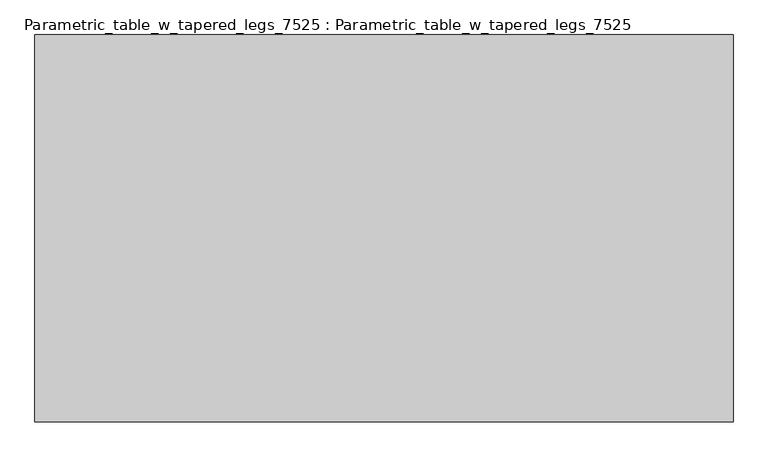
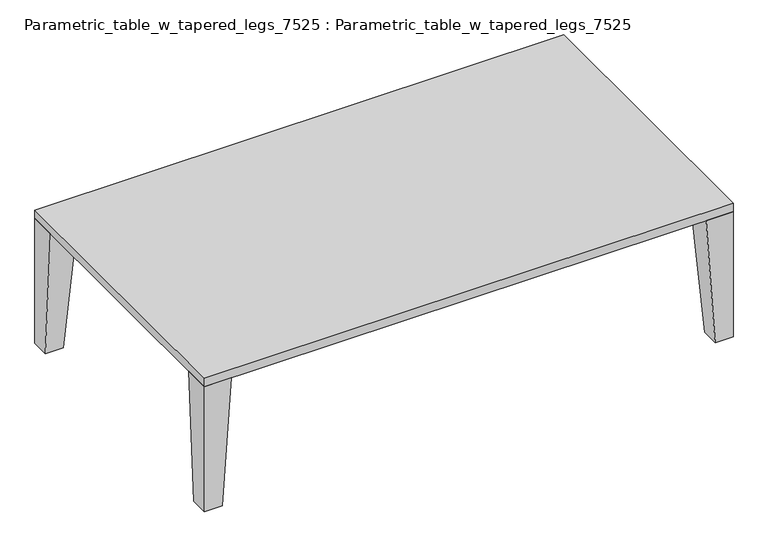
"""IFC4 building model written with IfcOpenShell, lengths in millimetres: furniture geometry, Parametric_table_w_tapered_legs_7525 : Parametric_table_w_tapered_legs_7525."""

import ifcopenshell
import ifcopenshell.guid

model = None  # the IFC model being written
_history = None  # IfcOwnerHistory: only IFC2X3 demands one
_inside = {}  # id of a spatial element -> (the spatial element, [elements in it])
_under = {}  # id of a project, library or spatial element -> (it, [spatial elements below it])
_declared = {}  # id of a project -> (the project, [libraries it declares])
_typed = {}  # id of a type object -> (the type object, [elements of that type])
_made_of = {}  # id of a material, layer set ... -> (it, [elements and type objects made of it])


def new_model(schema):
    """Start an empty IFC model of exactly this schema.

    Asked for "IFC4X3", IfcOpenShell would pick the latest addendum, in which some entities
    have other attributes; the version numbers below select the first issue.
    IFC2X3 requires an IfcOwnerHistory on every rooted entity: one is made here for all.
    """
    global model, _history
    if schema == "IFC4X3":
        model = ifcopenshell.file(schema_version=(4, 3, 0, 0))
    else:
        model = ifcopenshell.file(schema=schema)
    _inside.clear()
    _under.clear()
    _declared.clear()
    _typed.clear()
    _made_of.clear()
    _history = None
    if model.schema == "IFC2X3":
        org = make("IfcOrganization", Name="unknown")
        user = make(
            "IfcPersonAndOrganization",
            ThePerson=make("IfcPerson", FamilyName="unknown"),
            TheOrganization=org,
        )
        app = make(
            "IfcApplication",
            ApplicationDeveloper=org,
            Version="unknown",
            ApplicationFullName="unknown",
            ApplicationIdentifier="unknown",
        )
        _history = make(
            "IfcOwnerHistory",
            OwningUser=user,
            OwningApplication=app,
            ChangeAction="ADDED",
            CreationDate=0,
        )
    return model


def make(cls, **values):
    """One entity of the class cls with the attributes given. An attribute that is None is left unset."""
    return model.create_entity(
        cls, **{name: value for name, value in values.items() if value is not None}
    )


def rooted(cls, **values):
    """An entity with a GlobalId (a new one), such as an element, a storey or a relation."""
    return make(cls, GlobalId=ifcopenshell.guid.new(), OwnerHistory=_history, **values)


def si_unit(unit_type, name, prefix=None):
    """IfcSIUnit, for example si_unit("LENGTHUNIT", "METRE", prefix="MILLI")."""
    return make("IfcSIUnit", UnitType=unit_type, Prefix=prefix, Name=name)


def assignment(units):
    """IfcUnitAssignment: the units of a project."""
    return None if units is None else make("IfcUnitAssignment", Units=units)


def point(xyz):
    """IfcCartesianPoint."""
    return None if xyz is None else make("IfcCartesianPoint", Coordinates=xyz)


def direction(xyz):
    """IfcDirection."""
    return None if xyz is None else make("IfcDirection", DirectionRatios=xyz)


def frame(location, z_axis=None, x_axis=None):
    """IfcAxis2Placement3D, a coordinate frame: its origin and axes. An axis left out is left unset."""
    return make(
        "IfcAxis2Placement3D",
        Location=point(location),
        Axis=direction(z_axis),
        RefDirection=direction(x_axis),
    )


def origin():
    """The frame at (0, 0, 0) with its axes left unset."""
    return frame((0.0, 0.0, 0.0))


def place(relative_to, where):
    """IfcLocalPlacement: puts the frame where relative to a parent placement (None: the world)."""
    return make(
        "IfcLocalPlacement", PlacementRelTo=relative_to, RelativePlacement=where
    )


def context(
    kind, dimensions, precision=None, world=None, true_north=None, identifier=None
):
    """IfcGeometricRepresentationContext, for example the 3D "Model" context."""
    return make(
        "IfcGeometricRepresentationContext",
        ContextIdentifier=identifier,
        ContextType=kind,
        CoordinateSpaceDimension=dimensions,
        Precision=precision,
        WorldCoordinateSystem=world,
        TrueNorth=true_north,
    )


def project(units=None, contexts=None):
    """IfcProject with its units and contexts."""
    return rooted(
        "IfcProject",
        Name="project",
        RepresentationContexts=contexts,
        UnitsInContext=assignment(units),
    )


def spatial(cls, under=None, at=None, **own):
    """A site, building, storey or space (cls), placed at a placement, below another one or the project."""
    s = rooted(cls, ObjectPlacement=at, **own)
    if under is not None:
        _under.setdefault(under.id(), (under, []))[1].append(s)
    return s


def polyline(points):
    """IfcPolyline through the points."""
    return make("IfcPolyline", Points=[point(p) for p in points])


def outline(outer, holes=None, kind="AREA"):
    """IfcArbitraryClosedProfileDef: a profile drawn as a closed curve; with holes, ...WithVoids."""
    if holes is None:
        return make("IfcArbitraryClosedProfileDef", ProfileType=kind, OuterCurve=outer)
    return make(
        "IfcArbitraryProfileDefWithVoids",
        ProfileType=kind,
        OuterCurve=outer,
        InnerCurves=holes,
    )


def extrude(swept, where, along, depth):
    """IfcExtrudedAreaSolid: the profile swept, set in the frame where, extruded along a direction by depth."""
    return make(
        "IfcExtrudedAreaSolid",
        SweptArea=swept,
        Position=where,
        ExtrudedDirection=direction(along),
        Depth=depth,
    )


def faces_of(points, faces, orient=None, outer=None):
    """IfcFace entities. A face is a list of loops; a loop is a list of indices into points, from 0.

    orient and outer hold one flag for each loop. By default every Orientation is true, the
    first loop of a face is its IfcFaceOuterBound and the others are IfcFaceBound.
    """
    made = []
    for i, loops in enumerate(faces):
        bounds = []
        for j, loop in enumerate(loops):
            is_outer = j == 0 if outer is None else outer[i][j]
            bounds.append(
                make(
                    "IfcFaceOuterBound" if is_outer else "IfcFaceBound",
                    Bound=make("IfcPolyLoop", Polygon=[points[k] for k in loop]),
                    Orientation=True if orient is None else orient[i][j],
                )
            )
        made.append(make("IfcFace", Bounds=bounds))
    return made


def faceted_brep(points, faces, orient=None, outer=None, voids=None):
    """IfcFacetedBrep: a solid bounded by flat faces; with voids (closed shells), ...WithVoids."""
    shared = [point(p) for p in points]
    hull = make("IfcClosedShell", CfsFaces=faces_of(shared, faces, orient, outer))
    if voids is None:
        return make("IfcFacetedBrep", Outer=hull)
    return make(
        "IfcFacetedBrepWithVoids",
        Outer=hull,
        Voids=[
            make(cls, CfsFaces=faces_of(shared, fs, o, b)) for cls, fs, o, b in voids
        ],
    )


def shape(context_of_items, identifier, shape_type, items):
    """IfcShapeRepresentation: the items that make up one representation, for example the "Body"."""
    return make(
        "IfcShapeRepresentation",
        ContextOfItems=context_of_items,
        RepresentationIdentifier=identifier,
        RepresentationType=shape_type,
        Items=items,
    )


def source(mapping_origin, context_of_items, identifier, shape_type, items):
    """IfcRepresentationMap: a shape defined once, which mapped items show again and again."""
    return make(
        "IfcRepresentationMap",
        MappingOrigin=mapping_origin,
        MappedRepresentation=shape(context_of_items, identifier, shape_type, items),
    )


def transform(
    local_origin,
    x_axis=None,
    y_axis=None,
    z_axis=None,
    scale=None,
    scale2=None,
    scale3=None,
    uniform=True,
):
    """IfcCartesianTransformationOperator3D, or its non-uniform kind. x_axis, y_axis, z_axis: its Axis1, 2, 3."""
    if uniform:
        return make(
            "IfcCartesianTransformationOperator3D",
            Axis1=direction(x_axis),
            Axis2=direction(y_axis),
            LocalOrigin=point(local_origin),
            Scale=scale,
            Axis3=direction(z_axis),
        )
    return make(
        "IfcCartesianTransformationOperator3DnonUniform",
        Axis1=direction(x_axis),
        Axis2=direction(y_axis),
        LocalOrigin=point(local_origin),
        Scale=scale,
        Axis3=direction(z_axis),
        Scale2=scale2,
        Scale3=scale3,
    )


def mapped(mapping_source, mapping_target):
    """IfcMappedItem: shows the shape of a source again, moved by a transform."""
    return make(
        "IfcMappedItem", MappingSource=mapping_source, MappingTarget=mapping_target
    )


def made_of(thing, what):
    """Note that an element or type object is made of a material, layer set ...; save() writes the relation."""
    if what is not None:
        _made_of.setdefault(what.id(), (what, []))[1].append(thing)
    return thing


def element(
    cls,
    number,
    at=None,
    inside=None,
    cuts=None,
    type_object=None,
    material=None,
    context=None,
    identifier="Body",
    shape_type=None,
    held_by="IfcProductDefinitionShape",
    body=None,
    shapes=None,
    **own,
):
    """One element of the class cls, such as IfcWall. Its Tag is "e" and its number.

    at: its placement. inside: the storey or other place that contains it. cuts: it is an
    opening in that element (IfcRelVoidsElement). A single representation is given by context,
    identifier, shape_type and body (its items); several are given by shapes. held_by: the class
    of the entity that holds the representations. save() writes the other relations.
    """
    e = rooted(cls, Tag="e%d" % number, ObjectPlacement=at, **own)
    if body is not None:
        shapes = [shape(context, identifier, shape_type, body)]
    if shapes is not None:
        e.Representation = make(held_by, Representations=shapes)
    if inside is not None:
        _inside.setdefault(inside.id(), (inside, []))[1].append(e)
    if cuts is not None:
        rooted(
            "IfcRelVoidsElement", RelatingBuildingElement=cuts, RelatedOpeningElement=e
        )
    if type_object is not None:
        _typed.setdefault(type_object.id(), (type_object, []))[1].append(e)
    return made_of(e, material)


def aggregate(whole, parts):
    """IfcRelAggregates: a whole, such as a stair, and the parts it consists of."""
    return rooted("IfcRelAggregates", RelatingObject=whole, RelatedObjects=parts)


def save(model, path):
    """Write the relations noted so far, then the file.

    IfcRelAggregates (storeys below a building ...), IfcRelContainedInSpatialStructure (elements
    in a storey), IfcRelDefinesByType, IfcRelAssociatesMaterial and IfcRelDeclares: one each for
    every whole, place, type object, material and project.
    """
    for whole, parts in _under.values():
        aggregate(whole, parts)
    for where, things in _inside.values():
        rooted(
            "IfcRelContainedInSpatialStructure",
            RelatedElements=things,
            RelatingStructure=where,
        )
    for kind, things in _typed.values():
        rooted("IfcRelDefinesByType", RelatedObjects=things, RelatingType=kind)
    for what, things in _made_of.values():
        rooted("IfcRelAssociatesMaterial", RelatedObjects=things, RelatingMaterial=what)
    for by, libraries in _declared.values():
        rooted("IfcRelDeclares", RelatingContext=by, RelatedDefinitions=libraries)
    model.write(path)


def parametric_table_w_tapered_legs_7525_parametric_table_w_6202d096(model_context):
    return source(origin(), model_context, "Body", "SolidModel", [
        faceted_brep([(699.2, -416.2513358, 0.0), (699.2, -365.4513358, 0.0), (750.0, -365.4513358, 0.0), (750.0, -416.2513358, 0.0), (673.8, -416.2513358, 374.6), (750.0, -416.2513358, 374.6), (750.0, -340.0513358, 374.6), (673.8, -340.0513358, 374.6)], [[[0, 1, 2, 3]], [[4, 5, 6, 7]], [[4, 7, 1, 0]], [[7, 6, 2, 1]], [[6, 5, 3, 2]], [[5, 4, 0, 3]]]),
        faceted_brep([(-699.2, -416.2513358, 0.0), (-750.0, -416.2513358, 0.0), (-750.0, -365.4513358, 0.0), (-699.2, -365.4513358, 0.0), (-673.8, -416.2513358, 374.6), (-673.8, -340.0513358, 374.6), (-750.0, -340.0513358, 374.6), (-750.0, -416.2513358, 374.6)], [[[0, 1, 2, 3]], [[4, 5, 6, 7]], [[5, 4, 0, 3]], [[6, 5, 3, 2]], [[7, 6, 2, 1]], [[4, 7, 1, 0]]]),
        faceted_brep([(699.2, 416.2513358, 0.0), (750.0, 416.2513358, 0.0), (750.0, 365.4513358, 0.0), (699.2, 365.4513358, 0.0), (673.8, 416.2513358, 374.6), (673.8, 340.0513358, 374.6), (750.0, 340.0513358, 374.6), (750.0, 416.2513358, 374.6)], [[[0, 1, 2, 3]], [[4, 5, 6, 7]], [[5, 4, 0, 3]], [[6, 5, 3, 2]], [[7, 6, 2, 1]], [[4, 7, 1, 0]]]),
        faceted_brep([(-699.2, 416.2513358, 0.0), (-699.2, 365.4513358, 0.0), (-750.0, 365.4513358, 0.0), (-750.0, 416.2513358, 0.0), (-673.8, 416.2513358, 374.6), (-750.0, 416.2513358, 374.6), (-750.0, 340.0513358, 374.6), (-673.8, 340.0513358, 374.6)], [[[0, 1, 2, 3]], [[4, 5, 6, 7]], [[4, 7, 1, 0]], [[7, 6, 2, 1]], [[6, 5, 3, 2]], [[5, 4, 0, 3]]]),
        extrude(outline(polyline([(750.0, -416.2513358), (-750.0, -416.2513358), (-750.0, 416.2513358), (750.0, 416.2513358), (750.0, -416.2513358)])), frame((0.0, 0.0, 374.6), z_axis=(0.0, 0.0, 1.0), x_axis=(1.0, 0.0, 0.0)), (0.0, 0.0, 1.0), 25.4),
    ])


if __name__ == "__main__":
    model = new_model("IFC4")
    model_context = context("Model", 3, world=origin())
    ifc_project = project(units=[si_unit("LENGTHUNIT", "METRE", prefix="MILLI")], contexts=[model_context])
    site = spatial("IfcSite", under=ifc_project)
    building = spatial("IfcBuilding", under=site)
    placement = place(None, origin())
    parametric_table_w_tapered_legs_7525_parametric_table_w_shape = parametric_table_w_tapered_legs_7525_parametric_table_w_6202d096(model_context)
    element("IfcFurniture", 1, ObjectType="Parametric_table_w_tapered_legs_7525 : Parametric_table_w_tapered_legs_7525", at=placement, inside=building, context=model_context, shape_type="MappedRepresentation", body=[
        mapped(parametric_table_w_tapered_legs_7525_parametric_table_w_shape, transform((0.0, 0.0, 0.0), x_axis=(1.0, 0.0, 0.0), y_axis=(0.0, 1.0, 0.0), z_axis=(0.0, 0.0, 1.0))),
    ])
    save(model, "model.ifc")
